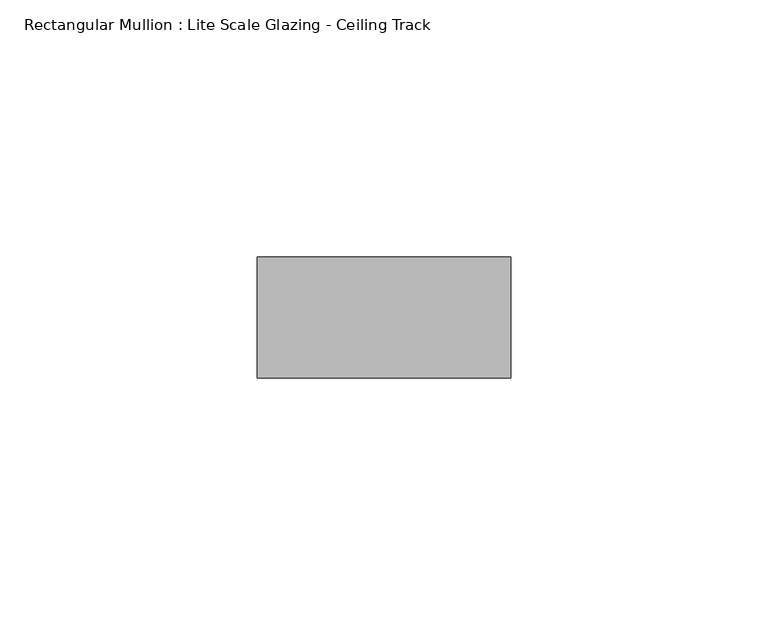
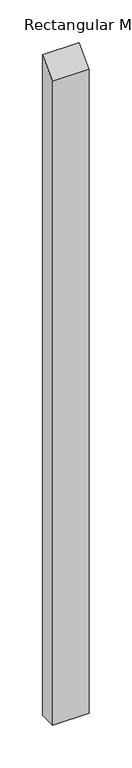
"""IFC4 building model written with IfcOpenShell, lengths in millimetres: member geometry, Rectangular Mullion : Lite Scale Glazing - Ceiling Track."""

from ifc_helpers import new_model, si_unit, frame, origin, place, context, project, spatial, polyline, outline, extrude, source, transform, mapped, element, save


def rectangular_mullion_lite_scale_glazing_ceiling_track_2b9661fa(model_context):
    return source(origin(), model_context, "Body", "SweptSolid", [
        extrude(outline(polyline([(-11.7474999, -11.7474999), (11.7474999, 11.7474999), (11.7474999, -931.1212004), (-11.7474999, -931.1212004), (-11.7474999, -11.7474999)])), frame((-49.276, 0.0, 0.0), z_axis=(1.0, 0.0, 0.0), x_axis=(0.0, 1.0, 0.0)), (0.0, 0.0, 1.0), 49.276),
    ])


if __name__ == "__main__":
    model = new_model("IFC4")
    model_context = context("Model", 3, world=origin())
    ifc_project = project(units=[si_unit("LENGTHUNIT", "METRE", prefix="MILLI")], contexts=[model_context])
    site = spatial("IfcSite", under=ifc_project)
    building = spatial("IfcBuilding", under=site)
    placement = place(None, origin())
    rectangular_mullion_lite_scale_glazing_ceiling_track_shape = rectangular_mullion_lite_scale_glazing_ceiling_track_2b9661fa(model_context)
    element("IfcMember", 1, ObjectType="Rectangular Mullion : Lite Scale Glazing - Ceiling Track", at=placement, inside=building, context=model_context, shape_type="MappedRepresentation", body=[
        mapped(rectangular_mullion_lite_scale_glazing_ceiling_track_shape, transform((0.0, 0.0, 0.0), x_axis=(1.0, 0.0, 0.0), y_axis=(0.0, 1.0, 0.0), z_axis=(0.0, 0.0, 1.0))),
    ])
    save(model, "model.ifc")
